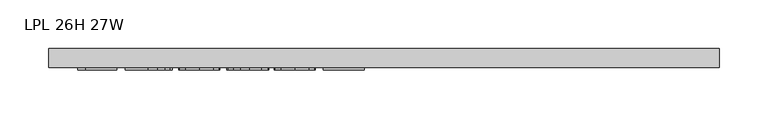
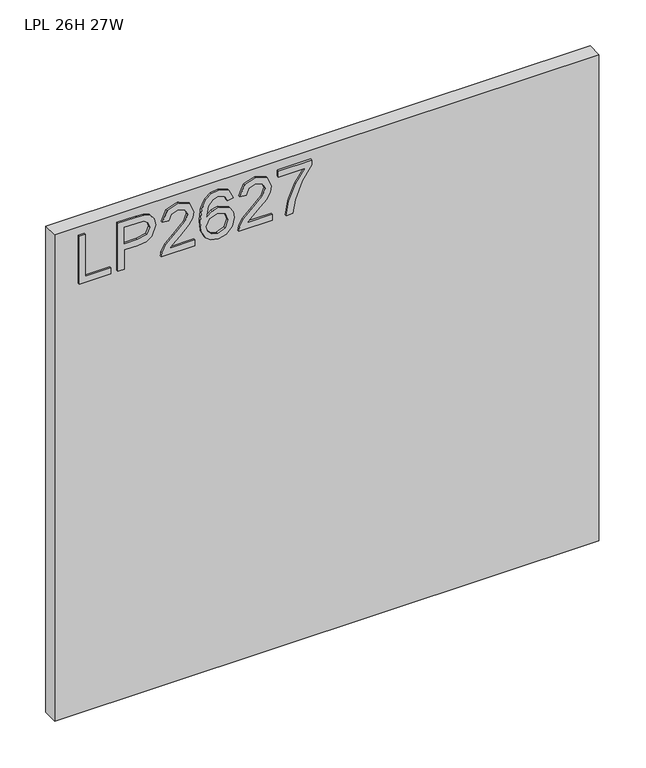
"""IFC4 building model written with IfcOpenShell, lengths in millimetres: furniture geometry, LPL 26H 27W."""

from ifc_helpers import new_model, si_unit, frame, origin, place, context, project, spatial, polyline, outline, extrude, source, transform, mapped, element, save


def lpl_26h_27w_8ed80e1b(model_context):
    return source(origin(), model_context, "Body", "SweptSolid", [
        extrude(outline(polyline([(1595.5034502, 29.4553512), (1595.5034502, 69.3239493), (1603.4771698, 69.3239493), (1603.4771698, 37.4290708), (1659.2932071, 37.4290708), (1659.2932071, 29.4553512), (1595.5034502, 29.4553512)])), frame((0.0, -21.68525, 0.0), z_axis=(0.0, 1.0, 0.0), x_axis=(0.0, 0.0, 1.0)), (0.0, 0.0, 1.0), 2.38125),
        extrude(outline(polyline([(1595.5034502, 78.2943838), (1595.5034502, 86.2681034), (1621.418039, 86.2681034), (1621.418039, 102.4802951), (1622.8274562, 113.8081941), (1627.0557079, 121.0051769), (1640.8384069, 126.1367015), (1649.5363022, 124.2367137), (1655.7034759, 119.2142047), (1658.685834, 111.4663033), (1659.2932071, 101.9352166), (1659.2932071, 78.2943838), (1595.5034502, 78.2943838)]), holes=[polyline([(1629.3917586, 86.2681034), (1651.3194875, 86.2681034), (1651.3194875, 102.7606212), (1650.774409, 110.7343408), (1647.1613173, 116.1150442), (1640.5580808, 118.1629819), (1632.3196087, 114.6900533), (1629.3917586, 102.9475052), (1629.3917586, 86.2681034)])]), frame((0.0, -21.68525, 0.0), z_axis=(0.0, 1.0, 0.0), x_axis=(0.0, 0.0, 1.0)), (0.0, 0.0, 1.0), 2.38125),
        extrude(outline(polyline([(1603.4771698, 174.9757342), (1603.4771698, 143.6570816), (1607.5341111, 147.2545996), (1615.2041442, 156.4274919), (1626.1290745, 167.8507797), (1633.9470574, 172.5618152), (1641.5080747, 173.9790192), (1654.185043, 168.7229052), (1659.2932071, 154.4496356), (1654.6989742, 140.2230871), (1641.352338, 134.1104212), (1640.3556231, 142.0841408), (1648.407211, 145.4402669), (1651.3194875, 154.2783253), (1648.3371295, 162.7581892), (1641.0252909, 166.0052996), (1631.9925617, 162.5635183), (1618.7082202, 148.796393), (1609.4652464, 138.8136698), (1601.0009561, 133.9702581), (1595.5034502, 133.1137062), (1595.5034502, 174.9757342), (1603.4771698, 174.9757342)])), frame((0.0, -21.68525, 0.0), z_axis=(0.0, 1.0, 0.0), x_axis=(0.0, 0.0, 1.0)), (0.0, 0.0, 1.0), 2.38125),
        extrude(outline(polyline([(1642.349053, 223.8147669), (1654.7924162, 217.9279192), (1659.2932071, 205.3288192), (1657.474981, 196.0741652), (1652.0203027, 188.9297435), (1641.1615605, 183.69699), (1625.2803094, 181.9527389), (1611.1549897, 183.5237329), (1601.670624, 188.2367152), (1596.2977074, 195.4414848), (1594.5067352, 204.487841), (1597.2087672, 214.9377743), (1604.9956028, 222.1795314), (1615.9984014, 224.8114818), (1624.1706853, 223.4137448), (1630.6843733, 219.2205339), (1636.3687632, 205.67144), (1634.2896781, 196.957971), (1627.9278335, 189.9264585), (1642.1388084, 192.1924276), (1649.3883523, 197.6354257), (1651.3194875, 204.8304617), (1648.0022956, 212.819755), (1641.352338, 215.8410472), (1642.349053, 223.8147669)]), holes=[polyline([(1616.1229908, 189.9264585), (1625.0077702, 193.8899578), (1628.3950436, 203.537847), (1625.0077702, 213.3103257), (1615.733649, 216.8377622), (1606.0468256, 213.2636047), (1602.4804549, 203.8648941), (1604.2013455, 196.6776449), (1609.2160676, 191.7719385), (1616.1229908, 189.9264585)])]), frame((0.0, -21.68525, 0.0), z_axis=(0.0, 1.0, 0.0), x_axis=(0.0, 0.0, 1.0)), (0.0, 0.0, 1.0), 2.38125),
        extrude(outline(polyline([(1603.4771698, 272.6537995), (1603.4771698, 241.3351469), (1607.5341111, 244.9326649), (1615.2041442, 254.1055572), (1626.1290745, 265.528845), (1633.9470574, 270.2398805), (1641.5080747, 271.6570846), (1654.185043, 266.4009706), (1659.2932071, 252.127701), (1654.6989742, 237.9011524), (1641.352338, 231.7884865), (1640.3556231, 239.7622061), (1648.407211, 243.1183322), (1651.3194875, 251.9563906), (1648.3371295, 260.4362545), (1641.0252909, 263.6833649), (1631.9925617, 260.2415836), (1618.7082202, 246.4744583), (1609.4652464, 236.4917352), (1601.0009561, 231.6483234), (1595.5034502, 230.7917715), (1595.5034502, 272.6537995), (1603.4771698, 272.6537995)])), frame((0.0, -21.68525, 0.0), z_axis=(0.0, 1.0, 0.0), x_axis=(0.0, 0.0, 1.0)), (0.0, 0.0, 1.0), 2.38125),
        extrude(outline(polyline([(1650.3227726, 280.6275191), (1650.3227726, 314.5158275), (1633.822468, 302.4618061), (1613.4910404, 293.7639107), (1595.5034502, 290.5946687), (1595.5034502, 298.5683883), (1612.8369462, 301.5273858), (1634.6945936, 310.6146229), (1651.8489923, 322.4895471), (1658.2964922, 322.4895471), (1658.2964922, 280.6275191), (1650.3227726, 280.6275191)])), frame((0.0, -21.68525, 0.0), z_axis=(0.0, 1.0, 0.0), x_axis=(0.0, 0.0, 1.0)), (0.0, 0.0, 1.0), 2.38125),
        extrude(outline(polyline([(685.8, 0.0), (685.8, -19.304), (0.0, -19.304), (0.0, 0.0), (685.8, 0.0)])), frame((0.0, 0.0, 1022.4262), z_axis=(0.0, 0.0, 1.0), x_axis=(1.0, 0.0, 0.0)), (0.0, 0.0, 1.0), 647.7),
    ])


if __name__ == "__main__":
    model = new_model("IFC4")
    model_context = context("Model", 3, world=origin())
    ifc_project = project(units=[si_unit("LENGTHUNIT", "METRE", prefix="MILLI")], contexts=[model_context])
    site = spatial("IfcSite", under=ifc_project)
    building = spatial("IfcBuilding", under=site)
    placement = place(None, origin())
    lpl_26h_27w_shape = lpl_26h_27w_8ed80e1b(model_context)
    element("IfcFurniture", 1, ObjectType="LPL 26H 27W", at=placement, inside=building, context=model_context, shape_type="MappedRepresentation", body=[
        mapped(lpl_26h_27w_shape, transform((0.0, 0.0, 0.0), x_axis=(1.0, 0.0, 0.0), y_axis=(0.0, 1.0, 0.0), z_axis=(0.0, 0.0, 1.0))),
    ])
    save(model, "model.ifc")
